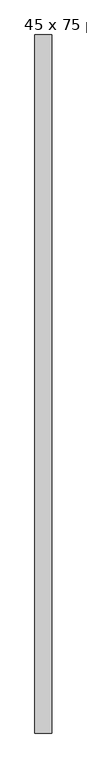
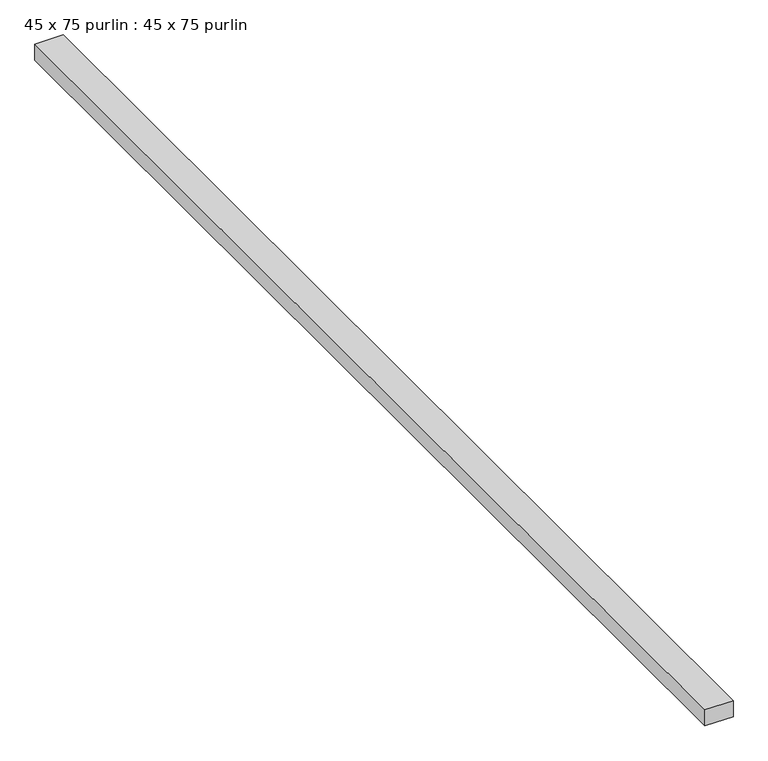
"""IFC4 building model written with IfcOpenShell, lengths in millimetres: proxy geometry, 45 x 75 purlin : 45 x 75 purlin."""

from ifc_helpers import new_model, si_unit, frame, origin, place, context, project, spatial, polyline, outline, extrude, source, transform, mapped, element, save


def proxy_45_x_75_purlin_45_x_75_purlin_5d212176(model_context):
    return source(origin(), model_context, "Body", "SweptSolid", [
        extrude(outline(polyline([(-11760.4039486, -1334.6714866), (-11835.4039486, -1334.6714866), (-11835.4039486, 1755.3285134), (-11760.4039486, 1755.3285134), (-11760.4039486, -1334.6714866)])), frame((0.0, 0.0, 3784.2452806), z_axis=(0.0, 0.0, 1.0), x_axis=(1.0, 0.0, 0.0)), (0.0, 0.0, 1.0), 45.0),
    ])


if __name__ == "__main__":
    model = new_model("IFC4")
    model_context = context("Model", 3, world=origin())
    ifc_project = project(units=[si_unit("LENGTHUNIT", "METRE", prefix="MILLI")], contexts=[model_context])
    site = spatial("IfcSite", under=ifc_project)
    building = spatial("IfcBuilding", under=site)
    placement = place(None, origin())
    proxy_45_x_75_purlin_45_x_75_purlin_shape = proxy_45_x_75_purlin_45_x_75_purlin_5d212176(model_context)
    element("IfcBuildingElementProxy", 1, Name="45 x 75 purlin : 45 x 75 purlin", ObjectType="45 x 75 purlin : 45 x 75 purlin", at=placement, inside=building, context=model_context, shape_type="MappedRepresentation", body=[
        mapped(proxy_45_x_75_purlin_45_x_75_purlin_shape, transform((0.0, 0.0, 0.0), x_axis=(1.0, 0.0, 0.0), y_axis=(0.0, 1.0, 0.0), z_axis=(0.0, 0.0, 1.0))),
    ])
    save(model, "model.ifc")
